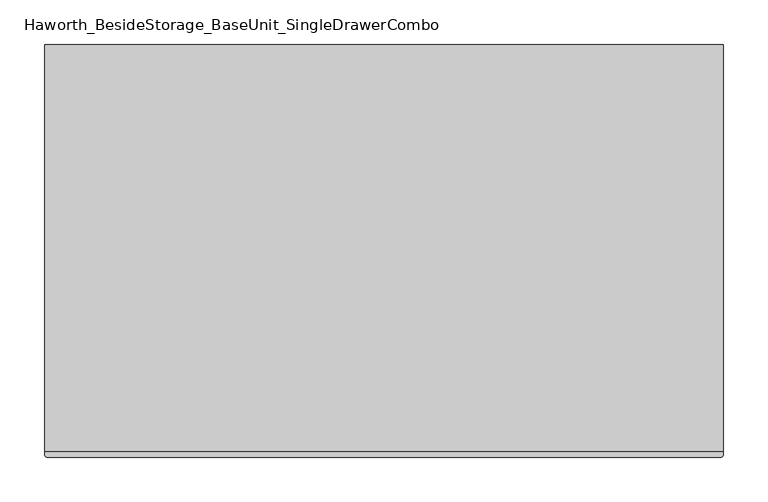
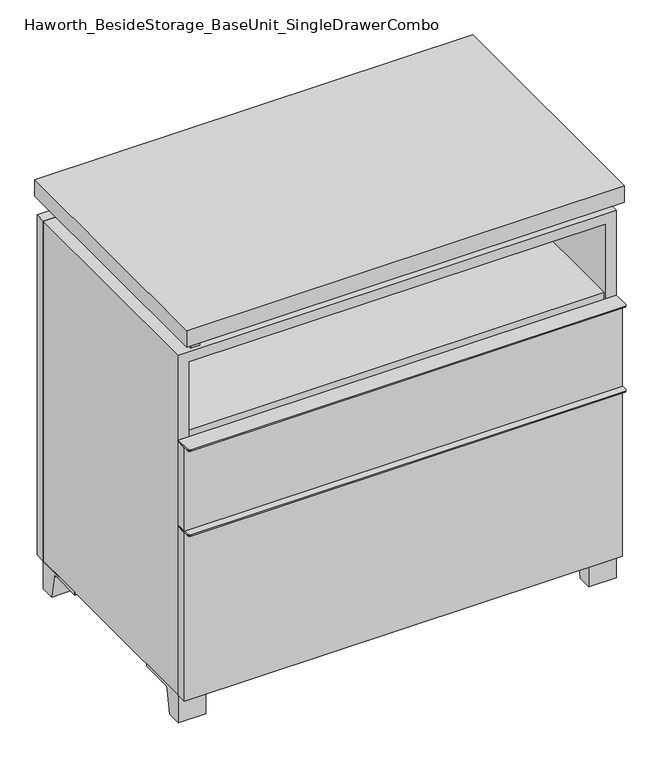
"""IFC4 building model written with IfcOpenShell, lengths in millimetres: furniture geometry, Haworth_BesideStorage_BaseUnit_SingleDrawerCombo."""

from ifc_helpers import new_model, si_unit, point, frame, frame_2d, origin, place, context, project, spatial, polyline, circle_curve, trimmed, segment, composite_curve, outline, extrude, source, transform, mapped, element, save


def haworth_besidestorage_baseunit_singledrawercombo_333bd1fa(model_context):
    return source(origin(), model_context, "Body", "SweptSolid", [
        extrude(outline(polyline([(361.9638906, 222.25), (361.9638906, -136.525), (-361.9361094, -136.525), (-361.9361094, 222.25), (361.9638906, 222.25)])), frame((0.0, 0.0, 510.38125), z_axis=(0.0, 0.0, 1.0), x_axis=(1.0, 0.0, 0.0)), (0.0, 0.0, 1.0), 19.05),
        extrude(outline(composite_curve([segment(polyline([(381.0138906, -139.7), (381.0138906, -168.275)]), True, "CONTINUOUS"), segment(trimmed(circle_curve(frame_2d((377.8388906, -168.275)), 3.175), [point((381.0138906, -168.275))], [point((377.8388906, -171.45))], False, "CARTESIAN"), True, "CONTINUOUS"), segment(polyline([(377.8388906, -171.45), (-377.8111094, -171.45)]), True, "CONTINUOUS"), segment(trimmed(circle_curve(frame_2d((-377.8111094, -168.275)), 3.175), [point((-377.8111094, -171.45))], [point((-380.9861094, -168.275))], False, "CARTESIAN"), True, "CONTINUOUS"), segment(polyline([(-380.9861094, -168.275), (-380.9861094, -139.7), (381.0138906, -139.7)]), True, "CONTINUOUS")], self_intersect=False)), frame((0.0, 0.0, 517.525), z_axis=(0.0, 0.0, 1.0), x_axis=(1.0, 0.0, 0.0)), (0.0, 0.0, 1.0), 2.38125),
        extrude(outline(polyline([(381.0138906, -139.7), (381.0138906, -158.75), (-380.9861094, -158.75), (-380.9861094, -139.7), (381.0138906, -139.7)])), frame((0.0, 0.0, 363.5375), z_axis=(0.0, 0.0, 1.0), x_axis=(1.0, 0.0, 0.0)), (0.0, 0.0, 1.0), 153.9875),
        extrude(outline(composite_curve([segment(polyline([(381.0138906, -139.7), (381.0138906, -168.275)]), True, "CONTINUOUS"), segment(trimmed(circle_curve(frame_2d((377.8388906, -168.275)), 3.175), [point((381.0138906, -168.275))], [point((377.8388906, -171.45))], False, "CARTESIAN"), True, "CONTINUOUS"), segment(polyline([(377.8388906, -171.45), (-377.8111094, -171.45)]), True, "CONTINUOUS"), segment(trimmed(circle_curve(frame_2d((-377.8111094, -168.275)), 3.175), [point((-377.8111094, -171.45))], [point((-380.9861094, -168.275))], False, "CARTESIAN"), True, "CONTINUOUS"), segment(polyline([(-380.9861094, -168.275), (-380.9861094, -139.7), (381.0138906, -139.7)]), True, "CONTINUOUS")], self_intersect=False)), frame((0.0, 0.0, 361.15625), z_axis=(0.0, 0.0, 1.0), x_axis=(1.0, 0.0, 0.0)), (0.0, 0.0, 1.0), 2.38125),
        extrude(outline(polyline([(381.0138906, -139.7), (381.0138906, -158.75), (-380.9861094, -158.75), (-380.9861094, -139.7), (381.0138906, -139.7)])), frame((0.0, 0.0, 50.8), z_axis=(0.0, 0.0, 1.0), x_axis=(1.0, 0.0, 0.0)), (0.0, 0.0, 1.0), 310.35625),
        extrude(outline(polyline([(381.0138906, 292.1), (381.0138906, -165.1), (-380.9861094, -165.1), (-380.9861094, 292.1), (381.0138906, 292.1)])), frame((0.0, 0.0, 706.4375), z_axis=(0.0, 0.0, 1.0), x_axis=(1.0, 0.0, 0.0)), (0.0, 0.0, 1.0), 30.1625),
        extrude(outline(composite_curve([segment(polyline([(-114.3000136, 0.0), (-139.7, 0.0), (-139.7, 50.8), (-44.45, 50.8), (-44.45, 46.0213321), (-101.2505345, 46.0213321)]), True, "CONTINUOUS"), segment(trimmed(circle_curve(frame_2d((-101.2505345, 39.6713321)), 6.35), [point((-101.2505345, 46.0213321))], [point((-107.5141359, 40.7152656))], True, "CARTESIAN"), True, "CONTINUOUS"), segment(polyline([(-107.5141359, 40.7152656), (-114.3000136, 0.0)]), True, "CONTINUOUS")], self_intersect=False)), frame((333.3888906, 0.0, 0.0), z_axis=(1.0, 0.0, 0.0), x_axis=(0.0, 1.0, 0.0)), (0.0, 0.0, 1.0), 47.625),
        extrude(outline(composite_curve([segment(polyline([(241.3000136, 0.0), (234.5141359, 40.7152656)]), True, "CONTINUOUS"), segment(trimmed(circle_curve(frame_2d((228.2505345, 39.6713321)), 6.35), [point((234.5141359, 40.7152656))], [point((228.2505345, 46.0213321))], True, "CARTESIAN"), True, "CONTINUOUS"), segment(polyline([(228.2505345, 46.0213321), (171.45, 46.0213321), (171.45, 50.8), (266.7, 50.8), (266.7, 0.0), (241.3000136, 0.0)]), True, "CONTINUOUS")], self_intersect=False)), frame((333.3888906, 0.0, 0.0), z_axis=(1.0, 0.0, 0.0), x_axis=(0.0, 1.0, 0.0)), (0.0, 0.0, 1.0), 47.625),
        extrude(outline(composite_curve([segment(polyline([(-114.3000136, 0.0), (-139.7, 0.0), (-139.7, 50.8), (-44.45, 50.8), (-44.45, 46.0213321), (-101.2505345, 46.0213321)]), True, "CONTINUOUS"), segment(trimmed(circle_curve(frame_2d((-101.2505345, 39.6713321)), 6.35), [point((-101.2505345, 46.0213321))], [point((-107.5141359, 40.7152656))], True, "CARTESIAN"), True, "CONTINUOUS"), segment(polyline([(-107.5141359, 40.7152656), (-114.3000136, 0.0)]), True, "CONTINUOUS")], self_intersect=False)), frame((-380.9861094, 0.0, 0.0), z_axis=(1.0, 0.0, 0.0), x_axis=(0.0, 1.0, 0.0)), (0.0, 0.0, 1.0), 47.625),
        extrude(outline(composite_curve([segment(polyline([(241.3000136, 0.0), (234.5141359, 40.7152656)]), True, "CONTINUOUS"), segment(trimmed(circle_curve(frame_2d((228.2505345, 39.6713321)), 6.35), [point((234.5141359, 40.7152656))], [point((228.2505345, 46.0213321))], True, "CARTESIAN"), True, "CONTINUOUS"), segment(polyline([(228.2505345, 46.0213321), (171.45, 46.0213321), (171.45, 50.8), (266.7, 50.8), (266.7, 0.0), (241.3000136, 0.0)]), True, "CONTINUOUS")], self_intersect=False)), frame((-380.9861094, 0.0, 0.0), z_axis=(1.0, 0.0, 0.0), x_axis=(0.0, 1.0, 0.0)), (0.0, 0.0, 1.0), 47.625),
        extrude(outline(polyline([(-355.5791641, -133.35), (-355.5791641, 234.95), (-339.7041641, 234.95), (-339.7041641, 73.025), (339.7111094, 73.025), (339.7111094, 247.65), (355.5861094, 247.65), (355.5861094, -120.65), (339.7111094, -120.65), (339.7111094, 53.975), (-339.7041641, 53.975), (-339.7041641, -133.35), (-355.5791641, -133.35)])), frame((0.0, 0.0, 676.275), z_axis=(0.0, 0.0, 1.0), x_axis=(1.0, 0.0, 0.0)), (0.0, 0.0, 1.0), 30.1625),
        extrude(outline(polyline([(381.0138906, 266.7), (-380.9861094, 266.7), (-380.9861094, 285.75), (381.0138906, 285.75), (381.0138906, 266.7)])), frame((0.0, 0.0, 50.8), z_axis=(0.0, 0.0, 1.0), x_axis=(1.0, 0.0, 0.0)), (0.0, 0.0, 1.0), 625.475),
        extrude(outline(polyline([(50.8, -380.9861094), (50.8, 381.0), (676.275, 381.0), (676.275, -380.9861094), (50.8, -380.9861094)]), holes=[polyline([(69.85, -361.9361094), (657.225, -361.9361094), (657.225, 361.9361094), (69.85, 361.9361094), (69.85, -361.9361094)])]), frame((0.0, -139.7, 0.0), z_axis=(0.0, 1.0, 0.0), x_axis=(0.0, 0.0, 1.0)), (0.0, 0.0, 1.0), 406.4),
        extrude(outline(polyline([(-361.9291641, 234.95), (-361.9291641, 241.3), (361.9569453, 241.3), (361.9569453, 234.95), (-361.9291641, 234.95)])), frame((0.0, 0.0, 69.85), z_axis=(0.0, 0.0, 1.0), x_axis=(1.0, 0.0, 0.0)), (0.0, 0.0, 1.0), 587.375),
    ])


if __name__ == "__main__":
    model = new_model("IFC4")
    model_context = context("Model", 3, world=origin())
    ifc_project = project(units=[si_unit("LENGTHUNIT", "METRE", prefix="MILLI")], contexts=[model_context])
    site = spatial("IfcSite", under=ifc_project)
    building = spatial("IfcBuilding", under=site)
    placement = place(None, origin())
    haworth_besidestorage_baseunit_singledrawercombo_shape = haworth_besidestorage_baseunit_singledrawercombo_333bd1fa(model_context)
    element("IfcFurniture", 1, ObjectType="Haworth_BesideStorage_BaseUnit_SingleDrawerCombo", at=placement, inside=building, context=model_context, shape_type="MappedRepresentation", body=[
        mapped(haworth_besidestorage_baseunit_singledrawercombo_shape, transform((0.0, 0.0, 0.0), x_axis=(1.0, 0.0, 0.0), y_axis=(0.0, 1.0, 0.0), z_axis=(0.0, 0.0, 1.0))),
    ])
    save(model, "model.ifc")
